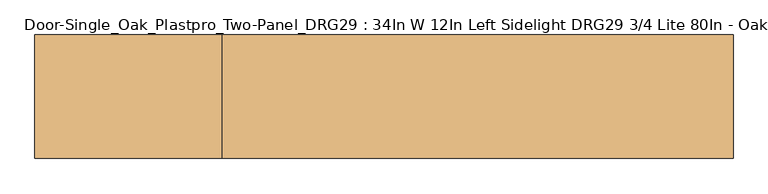
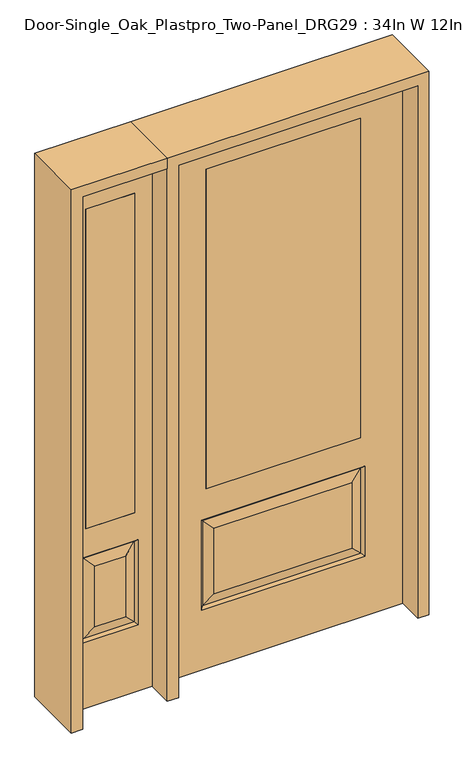
"""IFC4 building model written with IfcOpenShell, lengths in millimetres: door geometry, Door-Single_Oak_Plastpro_Two-Panel_DRG29 : 34In W 12In Left Sidelight DRG29 3/4 Lite 80In - Oak."""

from ifc_helpers import new_model, si_unit, frame, origin, place, context, project, spatial, polyline, outline, extrude, faceted_brep, source, transform, mapped, element, save


def door_single_oak_plastpro_two_panel_drg29_34in_w_12in_left_12d60dde(model_context):
    return source(origin(), model_context, "Body", "SolidModel", [
        extrude(outline(polyline([(-279.4, -20.6375), (-279.4, 20.6375), (279.4, 20.6375), (279.4, -20.6375), (-279.4, -20.6375)])), frame((0.0, 0.0, 685.8), z_axis=(0.0, 0.0, 1.0), x_axis=(1.0, 0.0, 0.0)), (0.0, 0.0, 1.0), 1219.2),
        faceted_brep([(-249.1224548, -20.6375, 274.7525452), (249.1224548, -20.6375, 274.7525452), (249.1224548, -20.6375, 525.3474548), (-249.1224548, -20.6375, 525.3474548), (431.8, -20.6375, 2032.0), (-431.8, -20.6375, 2032.0), (-431.8, -20.6375, 0.0), (431.8, -20.6375, 0.0), (295.1599548, -20.6375, 228.7150452), (-295.1599548, -20.6375, 228.7150452), (-295.1599548, -20.6375, 571.3849548), (295.1599548, -20.6375, 571.3849548), (-279.4, -20.6375, 1905.0), (279.4, -20.6375, 1905.0), (279.4, -20.6375, 685.8), (-279.4, -20.6375, 685.8), (-279.4, 20.6375, 1905.0), (-279.4, 20.6375, 685.8), (279.4, 20.6375, 685.8), (249.1224548, 20.6375, 274.7525452), (-249.1224548, 20.6375, 274.7525452), (-249.1224548, 20.6375, 525.3474548), (249.1224548, 20.6375, 525.3474548), (-431.8, 20.6375, 2032.0), (431.8, 20.6375, 2032.0), (431.8, 20.6375, 0.0), (-431.8, 20.6375, 0.0), (-295.1599548, 20.6375, 228.7150452), (295.1599548, 20.6375, 228.7150452), (295.1599548, 20.6375, 571.3849548), (-295.1599548, 20.6375, 571.3849548), (279.4, 20.6375, 1905.0), (286.1796986, -11.6572439, 237.6953014), (-286.1796986, -11.6572439, 237.6953014), (-286.1796986, -11.6572439, 562.4046986), (286.1796986, -11.6572439, 562.4046986), (286.1796986, 11.6572439, 237.6953014), (-286.1796986, 11.6572439, 237.6953014), (-286.1796986, 11.6572439, 562.4046986), (286.1796986, 11.6572439, 562.4046986)], [[[0, 1, 2, 3]], [[4, 5, 6, 7], [8, 9, 10, 11], [12, 13, 14, 15]], [[16, 12, 15, 17]], [[17, 15, 14, 18]], [[19, 20, 21, 22]], [[23, 24, 25, 26], [27, 28, 29, 30], [31, 16, 17, 18]], [[13, 31, 18, 14]], [[6, 26, 25, 7]], [[5, 23, 26, 6]], [[24, 4, 7, 25]], [[32, 33, 9, 8]], [[9, 33, 34, 10]], [[10, 34, 35, 11]], [[32, 8, 11, 35]], [[33, 32, 1, 0]], [[1, 32, 35, 2]], [[34, 3, 2, 35]], [[33, 0, 3, 34]], [[36, 37, 20, 19]], [[20, 37, 38, 21]], [[21, 38, 39, 22]], [[36, 19, 22, 39]], [[37, 36, 28, 27]], [[28, 36, 39, 29]], [[38, 30, 29, 39]], [[37, 27, 30, 38]], [[12, 16, 31, 13]], [[5, 4, 24, 23]]]),
        extrude(outline(polyline([(-714.375, -20.6375), (-714.375, 20.6375), (-536.575, 20.6375), (-536.575, -20.6375), (-714.375, -20.6375)])), frame((0.0, 0.0, 685.8), z_axis=(0.0, 0.0, 1.0), x_axis=(1.0, 0.0, 0.0)), (0.0, 0.0, 1.0), 1219.2),
        faceted_brep([(-714.375, -20.6375, 1905.0), (-714.375, 20.6375, 1905.0), (-536.575, 20.6375, 1905.0), (-536.575, -20.6375, 1905.0), (-680.9224548, -20.6375, 531.6974548), (-680.9224548, -20.6375, 300.1525452), (-570.0275452, -20.6375, 300.1525452), (-570.0275452, -20.6375, 531.6974548), (-473.075, -20.6375, 2032.0), (-777.875, -20.6375, 2032.0), (-777.875, -20.6375, 0.0), (-473.075, -20.6375, 0.0), (-726.9599548, -20.6375, 254.1150452), (-726.9599548, -20.6375, 577.7349548), (-523.9900452, -20.6375, 577.7349548), (-523.9900452, -20.6375, 254.1150452), (-536.575, -20.6375, 685.8), (-714.375, -20.6375, 685.8), (-717.9796986, 11.6572439, 568.7546986), (-717.9796986, 11.6572439, 263.0953014), (-726.9599548, 20.6375, 254.1150452), (-726.9599548, 20.6375, 577.7349548), (-523.9900452, 20.6375, 577.7349548), (-532.9703014, 11.6572439, 568.7546986), (-680.9224548, 20.6375, 531.6974548), (-680.9224548, 20.6375, 300.1525452), (-714.375, 20.6375, 685.8), (-536.575, 20.6375, 685.8), (-717.9796986, -11.6572439, 263.0953014), (-532.9703014, -11.6572439, 263.0953014), (-532.9703014, -11.6572439, 568.7546986), (-717.9796986, -11.6572439, 568.7546986), (-473.075, 20.6375, 2032.0), (-777.875, 20.6375, 2032.0), (-473.075, 20.6375, 0.0), (-777.875, 20.6375, 0.0), (-523.9900452, 20.6375, 254.1150452), (-570.0275452, 20.6375, 531.6974548), (-570.0275452, 20.6375, 300.1525452), (-532.9703014, 11.6572439, 263.0953014)], [[[0, 1, 2, 3]], [[4, 5, 6, 7]], [[8, 9, 10, 11], [12, 13, 14, 15], [0, 3, 16, 17]], [[18, 19, 20, 21]], [[18, 21, 22, 23]], [[19, 18, 24, 25]], [[26, 17, 16, 27]], [[5, 28, 29, 6]], [[6, 29, 30, 7]], [[28, 31, 13, 12]], [[32, 33, 9, 8]], [[34, 11, 10, 35]], [[32, 8, 11, 34]], [[9, 33, 35, 10]], [[33, 32, 34, 35], [21, 20, 36, 22], [2, 1, 26, 27]], [[25, 24, 37, 38]], [[20, 19, 39, 36]], [[36, 39, 23, 22]], [[24, 18, 23, 37]], [[39, 38, 37, 23]], [[19, 25, 38, 39]], [[1, 0, 17, 26]], [[3, 2, 27, 16]], [[31, 28, 5, 4]], [[31, 4, 7, 30]], [[13, 31, 30, 14]], [[29, 15, 14, 30]], [[28, 12, 15, 29]]]),
        extrude(outline(polyline([(2032.0, -473.075), (2073.275, -473.075), (2073.275, -819.15), (0.0, -819.15), (0.0, -777.875), (2032.0, -777.875), (2032.0, -473.075)])), frame((0.0, -114.3, 0.0), z_axis=(0.0, 1.0, 0.0), x_axis=(0.0, 0.0, 1.0)), (0.0, 0.0, 1.0), 228.6),
        extrude(outline(polyline([(2073.275, -473.075), (0.0, -473.075), (0.0, -431.8), (2032.0, -431.8), (2032.0, 431.8), (0.0, 431.8), (0.0, 473.075), (2073.275, 473.075), (2073.275, -473.075)])), frame((0.0, -114.3, 0.0), z_axis=(0.0, 1.0, 0.0), x_axis=(0.0, 0.0, 1.0)), (0.0, 0.0, 1.0), 228.6),
    ])


if __name__ == "__main__":
    model = new_model("IFC4")
    model_context = context("Model", 3, world=origin())
    ifc_project = project(units=[si_unit("LENGTHUNIT", "METRE", prefix="MILLI")], contexts=[model_context])
    site = spatial("IfcSite", under=ifc_project)
    building = spatial("IfcBuilding", under=site)
    placement = place(None, origin())
    door_single_oak_plastpro_two_panel_drg29_34in_w_12in_left_shape = door_single_oak_plastpro_two_panel_drg29_34in_w_12in_left_12d60dde(model_context)
    element("IfcDoor", 1, ObjectType="Door-Single_Oak_Plastpro_Two-Panel_DRG29 : 34In W 12In Left Sidelight DRG29 3/4 Lite 80In - Oak", at=placement, inside=building, context=model_context, shape_type="MappedRepresentation", body=[
        mapped(door_single_oak_plastpro_two_panel_drg29_34in_w_12in_left_shape, transform((0.0, 0.0, 0.0), x_axis=(1.0, 0.0, 0.0), y_axis=(0.0, 1.0, 0.0), z_axis=(0.0, 0.0, 1.0))),
    ])
    save(model, "model.ifc")
